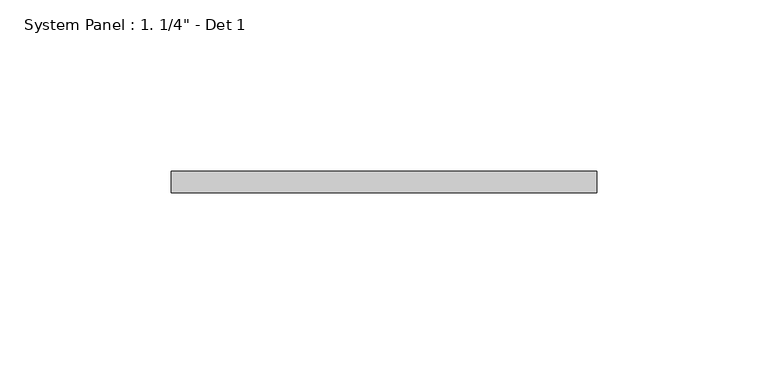
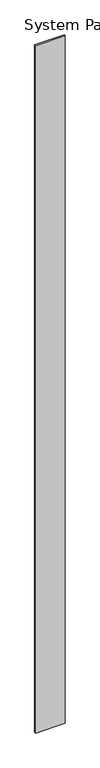
"""IFC4 building model written with IfcOpenShell, lengths in millimetres: plate geometry."""

from ifc_helpers import new_model, si_unit, origin, origin_with_axes, place, context, project, spatial, polyline, outline, extrude, source, transform, mapped, element, save


def plate_e3ad6d52(model_context):
    return source(origin(), model_context, "Body", "SweptSolid", [
        extrude(outline(polyline([(62.1522747, -6.35), (-62.1522747, -6.35), (-62.1522747, 0.0), (62.1522747, 0.0), (62.1522747, -6.35)])), origin_with_axes(), (0.0, 0.0, 1.0), 3048.0),
    ])


if __name__ == "__main__":
    model = new_model("IFC4")
    model_context = context("Model", 3, world=origin())
    ifc_project = project(units=[si_unit("LENGTHUNIT", "METRE", prefix="MILLI")], contexts=[model_context])
    site = spatial("IfcSite", under=ifc_project)
    building = spatial("IfcBuilding", under=site)
    placement = place(None, origin())
    plate_shape = plate_e3ad6d52(model_context)
    element("IfcPlate", 1, ObjectType="System Panel : 1. 1/4\" - Det 1", at=placement, inside=building, context=model_context, shape_type="MappedRepresentation", body=[
        mapped(plate_shape, transform((0.0, 0.0, 0.0), x_axis=(1.0, 0.0, 0.0), y_axis=(0.0, 1.0, 0.0), z_axis=(0.0, 0.0, 1.0))),
    ])
    save(model, "model.ifc")
